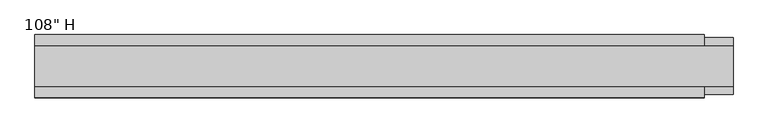
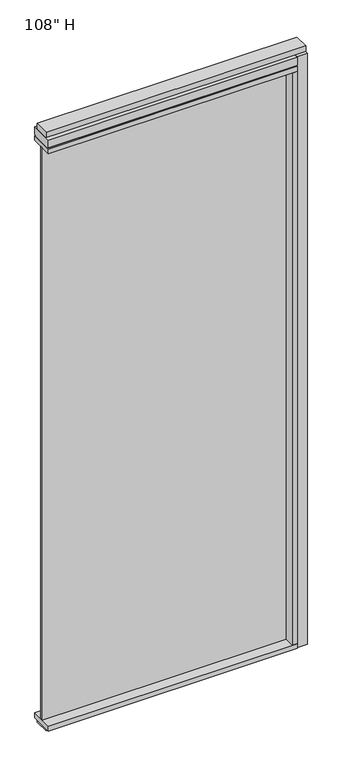
"""IFC4 building model written with IfcOpenShell, lengths in millimetres: furniture geometry."""

from ifc_helpers import new_model, si_unit, frame, origin, origin_with_axes, place, context, project, spatial, polyline, outline, extrude, source, transform, mapped, element, save


def furniture_c7781ea0(model_context):
    return source(origin(), model_context, "Body", "SweptSolid", [
        extrude(outline(polyline([(387.5749771, 9.5977216), (387.5749771, -0.5622784), (-670.4620229, -0.5622784), (-670.4620229, 9.5977216), (387.5749771, 9.5977216)])), frame((0.0, 0.0, 31.75), z_axis=(0.0, 0.0, 1.0), x_axis=(1.0, 0.0, 0.0)), (0.0, 0.0, 1.0), 2622.55),
        extrude(outline(polyline([(-670.4620229, 55.3177216), (409.7999771, 55.3177216), (409.7999771, -46.2822784), (-670.4620229, -46.2822784), (-670.4620229, 55.3177216)])), frame((0.0, 0.0, 9.525), z_axis=(0.0, 0.0, 1.0), x_axis=(1.0, 0.0, 0.0)), (0.0, 0.0, 1.0), 22.225),
        extrude(outline(polyline([(456.6629771, -28.1847784), (-670.4620229, -28.1847784), (-670.4620229, 37.2202216), (456.6629771, 37.2202216), (456.6629771, -28.1847784)])), origin_with_axes(), (0.0, 0.0, 1.0), 9.525),
        extrude(outline(polyline([(-670.4620229, 37.0297216), (456.6629771, 37.0297216), (456.6629771, -27.9942784), (-670.4620229, -27.9942784), (-670.4620229, 37.0297216)])), frame((0.0, 0.0, 2717.8), z_axis=(0.0, 0.0, 1.0), x_axis=(1.0, 0.0, 0.0)), (0.0, 0.0, 1.0), 25.4),
        extrude(outline(polyline([(55.3177216, 2681.478), (50.3647216, 2681.478), (50.3647216, 2676.525), (-41.3292784, 2676.525), (-41.3292784, 2681.478), (-46.2822784, 2681.478), (-46.2822784, 2717.8), (55.3177216, 2717.8), (55.3177216, 2681.478)])), frame((-670.4620229, 0.0, 0.0), z_axis=(1.0, 0.0, 0.0), x_axis=(0.0, 1.0, 0.0)), (0.0, 0.0, 1.0), 1080.262),
        extrude(outline(polyline([(409.7999771, -46.2822784), (-670.4620229, -46.2822784), (-670.4620229, 55.3177216), (409.7999771, 55.3177216), (409.7999771, -46.2822784)])), frame((0.0, 0.0, 2654.3), z_axis=(0.0, 0.0, 1.0), x_axis=(1.0, 0.0, 0.0)), (0.0, 0.0, 1.0), 22.225),
        extrude(outline(polyline([(387.5749771, 55.3177216), (409.7999771, 55.3177216), (409.7999771, -46.2822784), (387.5749771, -46.2822784), (387.5749771, 55.3177216)])), frame((0.0, 0.0, 31.75), z_axis=(0.0, 0.0, 1.0), x_axis=(1.0, 0.0, 0.0)), (0.0, 0.0, 1.0), 2622.55),
        extrude(outline(polyline([(456.6629771, 50.3647216), (456.6629771, -41.3292784), (409.7999771, -41.3292784), (409.7999771, 50.3647216), (456.6629771, 50.3647216)])), frame((0.0, 0.0, 9.525), z_axis=(0.0, 0.0, 1.0), x_axis=(1.0, 0.0, 0.0)), (0.0, 0.0, 1.0), 2708.275),
    ])


if __name__ == "__main__":
    model = new_model("IFC4")
    model_context = context("Model", 3, world=origin())
    ifc_project = project(units=[si_unit("LENGTHUNIT", "METRE", prefix="MILLI")], contexts=[model_context])
    site = spatial("IfcSite", under=ifc_project)
    building = spatial("IfcBuilding", under=site)
    placement = place(None, origin())
    furniture_shape = furniture_c7781ea0(model_context)
    element("IfcFurniture", 1, ObjectType="108\" H", at=placement, inside=building, context=model_context, shape_type="MappedRepresentation", body=[
        mapped(furniture_shape, transform((0.0, 0.0, 0.0), x_axis=(1.0, 0.0, 0.0), y_axis=(0.0, 1.0, 0.0), z_axis=(0.0, 0.0, 1.0))),
    ])
    save(model, "model.ifc")
